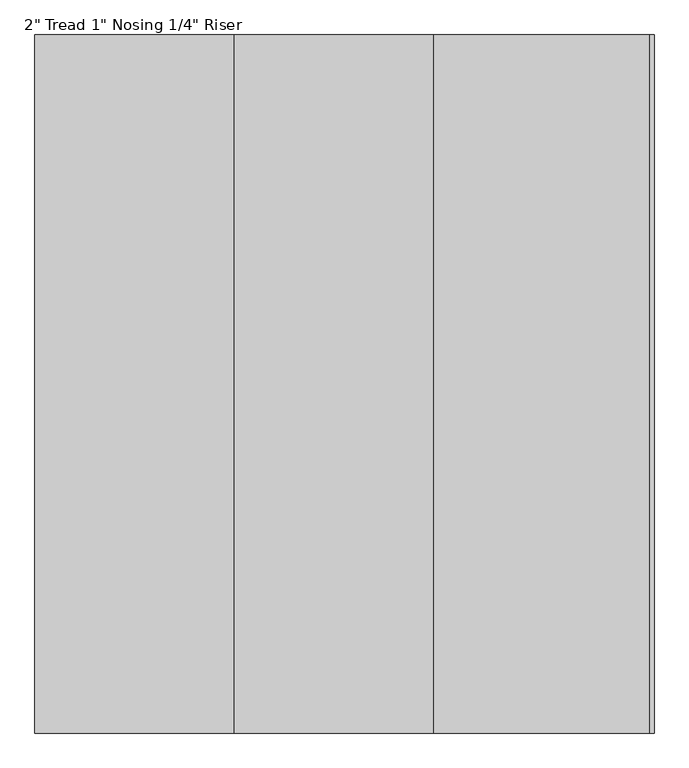
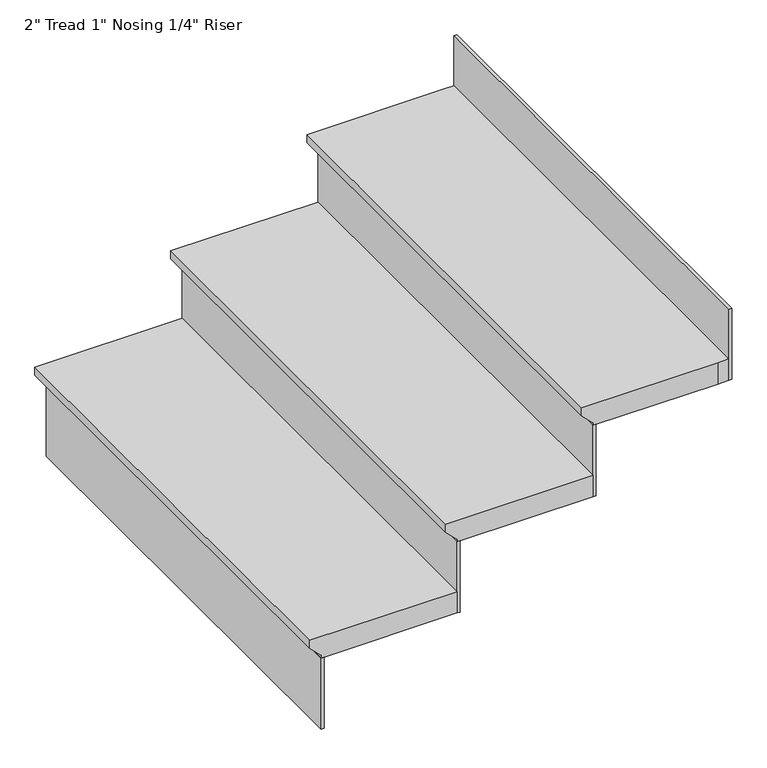
"""IFC4 building model written with IfcOpenShell, lengths in millimetres: stair flight geometry."""

from ifc_helpers import new_model, si_unit, origin, place, context, project, spatial, faceted_brep, source, transform, mapped, element, save


def stair_flight_01471f23(model_context):
    return source(origin(), model_context, "Body", "Brep", [
        faceted_brep([(38170.6404708, -13101.150078, 1669.3029412), (38170.6404708, -13101.150078, 1688.3529412), (38170.6404708, -12034.350078, 1688.3529412), (38170.6404708, -12034.350078, 1669.3029412), (38196.0404708, -13101.150078, 1643.9029412), (38196.0404708, -12034.350078, 1643.9029412), (38500.8404708, -13101.150078, 1688.3529412), (38500.8404708, -12034.350078, 1688.3529412), (38196.0404708, -12034.350078, 1637.5529412), (38500.8404708, -12034.350078, 1637.5529412), (38500.8404708, -13101.150078, 1637.5529412), (38196.0404708, -13101.150078, 1637.5529412)], [[[0, 1, 2, 3]], [[4, 0, 3, 5]], [[2, 1, 6, 7]], [[8, 9, 10, 11]], [[2, 7, 9, 8, 5, 3]], [[8, 11, 4, 5]], [[6, 1, 0, 4, 11, 10]], [[7, 6, 10, 9]]]),
        faceted_brep([(38196.0404708, -13101.150078, 1637.5529412), (38196.0404708, -13101.150078, 1468.7176471), (38202.3904708, -13101.150078, 1468.7176471), (38202.3904708, -13101.150078, 1637.5529412), (38196.0404708, -12034.350078, 1637.5529412), (38202.3904708, -12034.350078, 1637.5529412), (38202.3904708, -12034.350078, 1468.7176471), (38196.0404708, -12034.350078, 1468.7176471)], [[[0, 1, 2, 3]], [[4, 5, 6, 7]], [[1, 0, 4, 7]], [[2, 1, 7, 6]], [[3, 2, 6, 5]], [[0, 3, 5, 4]]]),
        faceted_brep([(38500.8404708, -13101.150078, 1806.3882353), (38500.8404708, -13101.150078, 1637.5529412), (38507.1904708, -13101.150078, 1637.5529412), (38507.1904708, -13101.150078, 1806.3882353), (38500.8404708, -12034.350078, 1806.3882353), (38507.1904708, -12034.350078, 1806.3882353), (38507.1904708, -12034.350078, 1637.5529412), (38500.8404708, -12034.350078, 1637.5529412)], [[[0, 1, 2, 3]], [[4, 5, 6, 7]], [[1, 0, 4, 7]], [[2, 1, 7, 6]], [[3, 2, 6, 5]], [[0, 3, 5, 4]]]),
        faceted_brep([(38475.4404708, -12034.350078, 1857.1882353), (38475.4404708, -13101.150078, 1857.1882353), (38805.6404708, -13101.150078, 1857.1882353), (38805.6404708, -12034.350078, 1857.1882353), (38500.8404708, -12034.350078, 1806.3882353), (38805.6404708, -12034.350078, 1806.3882353), (38805.6404708, -13101.150078, 1806.3882353), (38500.8404708, -13101.150078, 1806.3882353), (38500.8404708, -12034.350078, 1812.7382353), (38475.4404708, -12034.350078, 1838.1382353), (38500.8404708, -13101.150078, 1812.7382353), (38475.4404708, -13101.150078, 1838.1382353)], [[[0, 1, 2, 3]], [[4, 5, 6, 7]], [[0, 3, 5, 4, 8, 9]], [[4, 7, 10, 8]], [[2, 1, 11, 10, 7, 6]], [[3, 2, 6, 5]], [[11, 1, 0, 9]], [[10, 11, 9, 8]]]),
        faceted_brep([(39110.4404708, -13101.150078, 2144.0588235), (39110.4404708, -13101.150078, 1975.2235294), (39116.7904708, -13101.150078, 1975.2235294), (39116.7904708, -13101.150078, 2144.0588235), (39110.4404708, -12034.350078, 2144.0588235), (39116.7904708, -12034.350078, 2144.0588235), (39116.7904708, -12034.350078, 1975.2235294), (39110.4404708, -12034.350078, 1975.2235294)], [[[0, 1, 2, 3]], [[4, 5, 6, 7]], [[1, 0, 4, 7]], [[2, 1, 7, 6]], [[3, 2, 6, 5]], [[0, 3, 5, 4]]]),
        faceted_brep([(38805.6404708, -13101.150078, 1975.2235294), (38805.6404708, -13101.150078, 1806.3882353), (38811.9904708, -13101.150078, 1806.3882353), (38811.9904708, -13101.150078, 1975.2235294), (38805.6404708, -12034.350078, 1975.2235294), (38811.9904708, -12034.350078, 1975.2235294), (38811.9904708, -12034.350078, 1806.3882353), (38805.6404708, -12034.350078, 1806.3882353)], [[[0, 1, 2, 3]], [[4, 5, 6, 7]], [[1, 0, 4, 7]], [[2, 1, 7, 6]], [[3, 2, 6, 5]], [[0, 3, 5, 4]]]),
        faceted_brep([(39110.4404708, -12034.350078, 2026.0235294), (39085.0404708, -12034.350078, 2026.0235294), (38780.2404708, -12034.350078, 2026.0235294), (38780.2404708, -13101.150078, 2026.0235294), (39085.0404708, -13101.150078, 2026.0235294), (39110.4404708, -13101.150078, 2026.0235294), (39085.0404708, -12034.350078, 1975.2235294), (39110.4404708, -12034.350078, 1975.2235294), (39110.4404708, -13101.150078, 1975.2235294), (39085.0404708, -13101.150078, 1975.2235294), (38805.6404708, -13101.150078, 1975.2235294), (38805.6404708, -12034.350078, 1975.2235294), (38805.6404708, -12034.350078, 1981.5735294), (38780.2404708, -12034.350078, 2006.9735294), (38805.6404708, -13101.150078, 1981.5735294), (38780.2404708, -13101.150078, 2006.9735294)], [[[0, 1, 2, 3, 4, 5]], [[6, 7, 8, 9, 10, 11]], [[1, 0, 7, 6]], [[2, 1, 6, 11, 12, 13]], [[11, 10, 14, 12]], [[4, 3, 15, 14, 10, 9]], [[5, 4, 9, 8]], [[0, 5, 8, 7]], [[15, 3, 2, 13]], [[14, 15, 13, 12]]]),
    ])


if __name__ == "__main__":
    model = new_model("IFC4")
    model_context = context("Model", 3, world=origin())
    ifc_project = project(units=[si_unit("LENGTHUNIT", "METRE", prefix="MILLI")], contexts=[model_context])
    site = spatial("IfcSite", under=ifc_project)
    building = spatial("IfcBuilding", under=site)
    placement = place(None, origin())
    stair_flight_shape = stair_flight_01471f23(model_context)
    element("IfcStairFlight", 1, ObjectType="2\" Tread 1\" Nosing 1/4\" Riser", at=placement, inside=building, context=model_context, shape_type="MappedRepresentation", body=[
        mapped(stair_flight_shape, transform((0.0, 0.0, 0.0), x_axis=(1.0, 0.0, 0.0), y_axis=(0.0, 1.0, 0.0), z_axis=(0.0, 0.0, 1.0))),
    ])
    save(model, "model.ifc")
